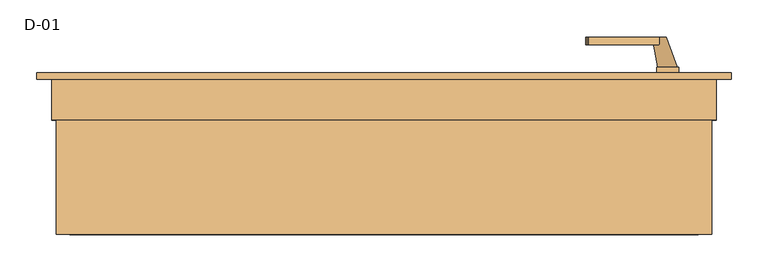
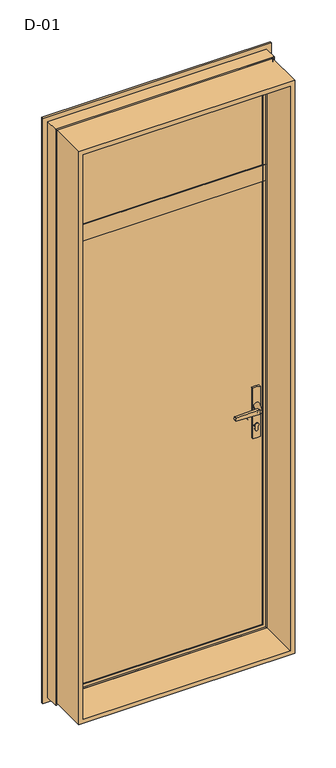
"""IFC4 building model written with IfcOpenShell, lengths in millimetres: door geometry, D-01."""

from ifc_helpers import new_model, si_unit, point, frame, frame_2d, origin, place, context, project, spatial, polyline, circle_curve, ellipse_curve, trimmed, segment, composite_curve, outline, extrude, source, transform, mapped, element, save
from ifc_brep_helpers import plane_surface, cylinder_surface, revolved_surface, spline_surface, advanced_brep


def d_01_5dea140a(model_context):
    return source(origin(), model_context, "Body", "SolidModel", [
        extrude(outline(polyline([(423.0, 74.3927452), (-423.0, 74.3927452), (-423.0, 100.3927452), (423.0, 100.3927452), (423.0, 74.3927452)])), frame((0.0, 0.0, 2022.0), z_axis=(0.0, 0.0, 1.0), x_axis=(1.0, 0.0, 0.0)), (0.0, 0.0, 1.0), 451.0),
        extrude(outline(polyline([(2493.8, 443.8), (2493.8, -443.8), (6.2, -443.8), (6.2, 443.8), (2493.8, 443.8)]), holes=[polyline([(24.7, 425.3), (24.7, -425.3), (2475.3, -425.3), (2475.3, 425.3), (24.7, 425.3)])]), frame((0.0, -100.0, 0.0), z_axis=(0.0, 1.0, 0.0), x_axis=(0.0, 0.0, 1.0)), (0.0, 0.0, 1.0), 165.9999813),
        advanced_brep(
        [(410.0, 107.7228474, 2460.0), (410.0, 107.7228474, 2035.0), (407.8575034, 100.3927452, 2037.1424966), (407.8575034, 100.3927452, 2457.8575034), (430.0, 100.3927452, 2015.0), (430.0, 100.3927452, 2480.0), (-430.0, 100.3927452, 2480.0), (-430.0, 100.3927452, 2015.0), (-407.8575034, 100.3927452, 2037.1424966), (-407.8575034, 100.3927452, 2457.8575034), (-410.0, 107.7228474, 2035.0), (410.0, 118.9999377, 2460.0), (410.0, 118.9999377, 2035.0), (-410.0, 118.9999377, 2035.0), (430.0, 118.9999377, 2480.0), (430.0, 118.9999377, 2015.0), (-430.0, 118.9999377, 2015.0), (-430.0, 118.9999377, 2480.0), (-410.0, 118.9999377, 2460.0), (-410.0, 107.7228474, 2460.0)],
        [
            (0, 1),
            (1, 2, ellipse_curve(frame((390.3925883, 109.4756835, 2054.6074117), z_axis=(-0.7071067811865475, 0.0, -0.7071067811865475), x_axis=(0.7071067811865474, 0.0, -0.7071067811865476)), 27.839649, 19.6856046)),
            (2, 3),
            (3, 0, ellipse_curve(frame((390.3925883, 109.4756835, 2440.3925883), z_axis=(-0.7071067811865475, 0.0, 0.7071067811865475), x_axis=(-0.7071067811865474, 0.0, -0.7071067811865476)), 27.839649, 19.6856046)),
            (4, 5),
            (5, 6),
            (6, 7),
            (7, 4),
            (2, 8),
            (8, 9),
            (9, 3),
            (1, 10),
            (10, 8, ellipse_curve(frame((-390.3925883, 109.4756835, 2054.6074117), z_axis=(-0.7071067811865475, 0.0, 0.7071067811865475), x_axis=(-0.7071067811865476, 0.0, -0.7071067811865474)), 27.839649, 19.6856046)),
            (11, 12),
            (12, 1),
            (0, 11),
            (12, 13),
            (13, 10),
            (14, 15),
            (15, 16),
            (16, 17),
            (17, 14),
            (11, 18),
            (18, 13),
            (4, 15),
            (14, 5),
            (7, 16),
            (10, 19),
            (19, 9, ellipse_curve(frame((-390.3925883, 109.4756835, 2440.3925883), z_axis=(0.7071067811865475, 0.0, 0.7071067811865475), x_axis=(-0.7071067811865474, 0.0, 0.7071067811865476)), 27.839649, 19.6856046)),
            (18, 19),
            (6, 17),
            (19, 0),
        ],
        [
            revolved_surface(polyline([(410.0781929, 109.4756835, 2034.9218071062464), (410.0781929, 109.4756835, 2460.0781928937536)]), (390.3925883, 109.4756835, 2480.0), (0.0, 0.0, -1.0)),
            plane_surface(frame((-430.0, 100.3927452, 2480.0), z_axis=(0.0, -1.0, 0.0), x_axis=(1.0, 0.0, 0.0))),
            revolved_surface(polyline([(-410.0781928937532, 109.4756835, 2034.9218070999998), (410.0781928937533, 109.4756835, 2034.9218070999998)]), (430.0, 109.4756835, 2054.6074117), (-1.0, 0.0, 0.0)),
            plane_surface(frame((410.0, 107.7228474, 2460.0), z_axis=(-1.0, 0.0, 0.0), x_axis=(0.0, 0.0, -1.0))),
            plane_surface(frame((410.0, 107.7228474, 2035.0), z_axis=(0.0, 0.0, 1.0), x_axis=(-1.0, 0.0, 0.0))),
            plane_surface(frame((-410.0, 118.9999377, 2460.0), z_axis=(0.0, 1.0, 0.0), x_axis=(1.0, 0.0, 0.0))),
            plane_surface(frame((430.0, 118.9999377, 2480.0), z_axis=(1.0, 0.0, 0.0), x_axis=(0.0, 0.0, -1.0))),
            plane_surface(frame((430.0, 118.9999377, 2015.0), z_axis=(0.0, 0.0, -1.0), x_axis=(-1.0, 0.0, 0.0))),
            revolved_surface(polyline([(-410.0781929, 109.4756835, 2460.0781928937536), (-410.0781929, 109.4756835, 2034.9218071062464)]), (-390.3925883, 109.4756835, 2015.0), (0.0, 0.0, 1.0)),
            plane_surface(frame((-410.0, 107.7228474, 2035.0), z_axis=(1.0, 0.0, 0.0), x_axis=(0.0, 0.0, 1.0))),
            plane_surface(frame((-430.0, 118.9999377, 2015.0), z_axis=(-1.0, 0.0, 0.0), x_axis=(0.0, 0.0, 1.0))),
            revolved_surface(polyline([(410.0781928937532, 109.4756835, 2460.0781929), (-410.0781928937533, 109.4756835, 2460.0781929)]), (-430.0, 109.4756835, 2440.3925883), (1.0, 0.0, 0.0)),
            plane_surface(frame((-410.0, 107.7228474, 2460.0), z_axis=(0.0, 0.0, -1.0), x_axis=(1.0, 0.0, 0.0))),
            plane_surface(frame((-430.0, 118.9999377, 2480.0), z_axis=(0.0, 0.0, 1.0), x_axis=(1.0, 0.0, 0.0))),
        ],
        [
            (0, [[1, 2, 3, 4]]),
            (1, [[5, 6, 7, 8], [-3, 9, 10, 11]]),
            (2, [[12, 13, -9, -2]]),
            (3, [[14, 15, -1, 16]]),
            (4, [[17, 18, -12, -15]]),
            (5, [[19, 20, 21, 22], [-14, 23, 24, -17]]),
            (6, [[-5, 25, -19, 26]]),
            (7, [[-8, 27, -20, -25]]),
            (8, [[28, 29, -10, -13]]),
            (9, [[-24, 30, -28, -18]]),
            (10, [[-7, 31, -21, -27]]),
            (11, [[32, -4, -11, -29]]),
            (12, [[-23, -16, -32, -30]]),
            (13, [[-6, -26, -22, -31]]),
        ],
    ),
        extrude(outline(polyline([(68.9990172, 2035.0000348), (72.5990172, 2035.0000348), (72.5990172, 2015.0000187), (118.9999375, 2015.0000187), (118.9999375, 1984.9999813), (72.5990172, 1984.9999813), (72.5990172, 1964.9999974), (68.9990172, 1964.9999974), (68.9990172, 2035.0000348)])), frame((-430.0, 0.0, 0.0), z_axis=(1.0, 0.0, 0.0), x_axis=(0.0, 1.0, 0.0)), (0.0, 0.0, 1.0), 860.0),
        extrude(outline(composite_curve([segment(trimmed(circle_curve(frame_2d((898.2, 384.0)), 5.0), [point((898.2, 379.0))], [point((898.2, 389.0))], False, "CARTESIAN"), True, "CONTINUOUS"), segment(polyline([(898.2, 389.0), (910.8261365, 389.0)]), True, "CONTINUOUS"), segment(trimmed(circle_curve(frame_2d((917.7, 384.0)), 8.5), [point((910.8261365, 389.0))], [point((910.8261365, 379.0))], False, "CARTESIAN"), True, "CONTINUOUS"), segment(polyline([(910.8261365, 379.0), (898.2, 379.0)]), True, "CONTINUOUS")], self_intersect=False)), frame((0.0, 66.3, 0.0), z_axis=(0.0, 1.0, 0.0), x_axis=(0.0, 0.0, 1.0)), (0.0, 0.0, 1.0), 11.0),
        extrude(outline(composite_curve([segment(polyline([(862.5, 398.9), (1081.0, 398.9)]), True, "CONTINUOUS"), segment(trimmed(circle_curve(frame_2d((984.8844339, 384.0)), 97.2636214), [point((1081.0, 398.9))], [point((1081.0, 369.1))], False, "CARTESIAN"), True, "CONTINUOUS"), segment(polyline([(1081.0, 369.1), (862.5, 369.1)]), True, "CONTINUOUS"), segment(trimmed(circle_curve(frame_2d((958.6155661, 384.0)), 97.2636214), [point((862.5, 369.1))], [point((862.5, 398.9))], False, "CARTESIAN"), True, "CONTINUOUS")], self_intersect=False), holes=[composite_curve([segment(trimmed(circle_curve(frame_2d((898.2, 384.0)), 5.0), [point((898.2, 389.0))], [point((898.2, 379.0))], True, "CARTESIAN"), True, "CONTINUOUS"), segment(polyline([(898.2, 379.0), (910.8261365, 379.0)]), True, "CONTINUOUS"), segment(trimmed(circle_curve(frame_2d((917.7, 384.0)), 8.5), [point((910.8261365, 379.0))], [point((910.8261365, 389.0))], True, "CARTESIAN"), True, "CONTINUOUS"), segment(polyline([(910.8261365, 389.0), (898.2, 389.0)]), True, "CONTINUOUS")], self_intersect=False)]), frame((0.0, 67.3, 0.0), z_axis=(0.0, 1.0, 0.0), x_axis=(0.0, 0.0, 1.0)), (0.0, 0.0, 1.0), 10.0),
        extrude(outline(composite_curve([segment(polyline([(1012.0, 373.0), (1009.4691269, 276.3498556)]), True, "CONTINUOUS"), segment(trimmed(circle_curve(frame_2d((1007.4698123, 276.4022095)), 2.0), [point((1009.4691269, 276.3498556))], [point((1007.9874503, 274.4703579))], False, "CARTESIAN"), True, "CONTINUOUS"), segment(polyline([(1007.9874503, 274.4703579), (1002.5, 273.0), (997.0125497, 274.4703579)]), True, "CONTINUOUS"), segment(trimmed(circle_curve(frame_2d((997.5301877, 276.4022095)), 2.0), [point((997.0125497, 274.4703579))], [point((995.5308731, 276.3498556))], False, "CARTESIAN"), True, "CONTINUOUS"), segment(polyline([(995.5308731, 276.3498556), (993.0, 373.0), (1012.0, 373.0)]), True, "CONTINUOUS")], self_intersect=False)), frame((0.0, 26.3, 0.0), z_axis=(0.0, 1.0, 0.0), x_axis=(0.0, 0.0, 1.0)), (0.0, 0.0, 1.0), 10.0),
        advanced_brep(
        [(382.5, 26.3, 1002.5), (363.5, 26.3, 1002.5), (397.4, 67.3, 1002.5), (370.6, 67.3, 1002.5)],
        [
            (0, 1, circle_curve(frame((373.0, 26.3, 1002.5), z_axis=(0.0, -1.0, 0.0), x_axis=(-1.0, 0.0, 0.0)), 9.5)),
            (1, 0, circle_curve(frame((373.0, 26.3, 1002.5), z_axis=(0.0, -1.0, 0.0), x_axis=(-1.0, 0.0, 0.0)), 9.5)),
            (2, 3, circle_curve(frame((384.0, 67.3, 1002.5), z_axis=(0.0, 1.0, 0.0), x_axis=(-1.0, 0.0, 0.0)), 13.4)),
            (3, 2, circle_curve(frame((384.0, 67.3, 1002.5), z_axis=(0.0, 1.0, 0.0), x_axis=(-1.0, 0.0, 0.0)), 13.4)),
            (2, 0),
            (1, 3),
        ],
        [
            plane_surface(frame((373.0, 26.3, 1002.5), z_axis=(0.0, -1.0, 0.0), x_axis=(0.0, 0.0, -1.0))),
            plane_surface(frame((384.0, 67.3, 1002.5), z_axis=(0.0, 1.0, 0.0), x_axis=(0.0, 0.0, -1.0))),
            spline_surface(1, 2, [[(397.4, 67.3, 1002.5), (397.4, 67.3, 989.1), (384.0, 67.3, 989.1), (370.6, 67.3, 989.1), (370.6, 67.3, 1002.5)], [(382.5, 26.3, 1002.5), (382.5, 26.3, 993.0), (373.0, 26.3, 993.0), (363.5, 26.3, 993.0), (363.5, 26.3, 1002.5)]], [2, 2], [3, 2, 3], [0.0, 1.0], [0.0, 1.0, 2.0], weights=[[1.0, 0.7071067811865476, 1.0, 0.7071067811865476, 1.0], [1.0, 0.7071067811865476, 1.0, 0.7071067811865476, 1.0]]),
            spline_surface(1, 2, [[(370.6, 67.3, 1002.5), (370.6, 67.3, 1015.9), (384.0, 67.3, 1015.9), (397.4, 67.3, 1015.9), (397.4, 67.3, 1002.5)], [(363.5, 26.3, 1002.5), (363.5, 26.3, 1012.0), (373.0, 26.3, 1012.0), (382.5, 26.3, 1012.0), (382.5, 26.3, 1002.5)]], [2, 2], [3, 2, 3], [0.0, 1.0], [0.0, 1.0, 2.0], weights=[[1.0, 0.7071067811865476, 1.0, 0.7071067811865476, 1.0], [1.0, 0.7071067811865476, 1.0, 0.7071067811865476, 1.0]]),
        ],
        [
            (0, [[1, 2]]),
            (1, [[3, 4]]),
            (2, [[5, -2, 6, -3]]),
            (3, [[-6, -1, -5, -4]]),
        ],
    ),
        extrude(outline(composite_curve([segment(trimmed(circle_curve(frame_2d((898.2, 384.0)), 5.0), [point((898.2, 379.0))], [point((898.2, 389.0))], False, "CARTESIAN"), True, "CONTINUOUS"), segment(polyline([(898.2, 389.0), (910.8261365, 389.0)]), True, "CONTINUOUS"), segment(trimmed(circle_curve(frame_2d((917.7, 384.0)), 8.5), [point((910.8261365, 389.0))], [point((910.8261365, 379.0))], False, "CARTESIAN"), True, "CONTINUOUS"), segment(polyline([(910.8261365, 379.0), (898.2, 379.0)]), True, "CONTINUOUS")], self_intersect=False)), frame((0.0, 116.3, 0.0), z_axis=(0.0, 1.0, 0.0), x_axis=(0.0, 0.0, 1.0)), (0.0, 0.0, 1.0), 11.0),
        extrude(outline(composite_curve([segment(polyline([(862.5, 398.9), (1081.0, 398.9)]), True, "CONTINUOUS"), segment(trimmed(circle_curve(frame_2d((984.8844339, 384.0)), 97.2636214), [point((1081.0, 398.9))], [point((1081.0, 369.1))], False, "CARTESIAN"), True, "CONTINUOUS"), segment(polyline([(1081.0, 369.1), (862.5, 369.1)]), True, "CONTINUOUS"), segment(trimmed(circle_curve(frame_2d((958.6155661, 384.0)), 97.2636214), [point((862.5, 369.1))], [point((862.5, 398.9))], False, "CARTESIAN"), True, "CONTINUOUS")], self_intersect=False), holes=[composite_curve([segment(trimmed(circle_curve(frame_2d((898.2, 384.0)), 5.0), [point((898.2, 389.0))], [point((898.2, 379.0))], True, "CARTESIAN"), True, "CONTINUOUS"), segment(polyline([(898.2, 379.0), (910.8261365, 379.0)]), True, "CONTINUOUS"), segment(trimmed(circle_curve(frame_2d((917.7, 384.0)), 8.5), [point((910.8261365, 379.0))], [point((910.8261365, 389.0))], True, "CARTESIAN"), True, "CONTINUOUS"), segment(polyline([(910.8261365, 389.0), (898.2, 389.0)]), True, "CONTINUOUS")], self_intersect=False)]), frame((0.0, 116.3, 0.0), z_axis=(0.0, 1.0, 0.0), x_axis=(0.0, 0.0, 1.0)), (0.0, 0.0, 1.0), 10.0),
        extrude(outline(composite_curve([segment(polyline([(1012.0, 373.0), (1009.4691269, 276.3498556)]), True, "CONTINUOUS"), segment(trimmed(circle_curve(frame_2d((1007.4698123, 276.4022095)), 2.0), [point((1009.4691269, 276.3498556))], [point((1007.9874503, 274.4703579))], False, "CARTESIAN"), True, "CONTINUOUS"), segment(polyline([(1007.9874503, 274.4703579), (1002.5, 273.0), (997.0125497, 274.4703579)]), True, "CONTINUOUS"), segment(trimmed(circle_curve(frame_2d((997.5301877, 276.4022095)), 2.0), [point((997.0125497, 274.4703579))], [point((995.5308731, 276.3498556))], False, "CARTESIAN"), True, "CONTINUOUS"), segment(polyline([(995.5308731, 276.3498556), (993.0, 373.0), (1012.0, 373.0)]), True, "CONTINUOUS")], self_intersect=False)), frame((0.0, 157.3, 0.0), z_axis=(0.0, 1.0, 0.0), x_axis=(0.0, 0.0, 1.0)), (0.0, 0.0, 1.0), 10.0),
        advanced_brep(
        [(382.5, 167.3, 1002.5), (363.5, 167.3, 1002.5), (397.4, 126.3, 1002.5), (370.6, 126.3, 1002.5)],
        [
            (0, 1, circle_curve(frame((373.0, 167.3, 1002.5), z_axis=(0.0, 1.0, 0.0), x_axis=(-1.0, 0.0, 0.0)), 9.5)),
            (1, 0, circle_curve(frame((373.0, 167.3, 1002.5), z_axis=(0.0, 1.0, 0.0), x_axis=(-1.0, 0.0, 0.0)), 9.5)),
            (2, 3, circle_curve(frame((384.0, 126.3, 1002.5), z_axis=(0.0, -1.0, 0.0), x_axis=(-1.0, 0.0, 0.0)), 13.4)),
            (3, 2, circle_curve(frame((384.0, 126.3, 1002.5), z_axis=(0.0, -1.0, 0.0), x_axis=(-1.0, 0.0, 0.0)), 13.4)),
            (3, 1),
            (0, 2),
        ],
        [
            plane_surface(frame((373.0, 167.3, 1002.5), z_axis=(0.0, 1.0, 0.0), x_axis=(0.0, 0.0, -1.0))),
            plane_surface(frame((384.0, 126.3, 1002.5), z_axis=(0.0, -1.0, 0.0), x_axis=(0.0, 0.0, -1.0))),
            spline_surface(2, 1, [[(397.4, 126.3, 1002.5), (382.5, 167.3, 1002.5)], [(397.4, 126.3, 989.1), (382.5, 167.3, 993.0)], [(384.0, 126.3, 989.1), (373.0, 167.3, 993.0)], [(370.6, 126.3, 989.1), (363.5, 167.3, 993.0)], [(370.6, 126.3, 1002.5), (363.5, 167.3, 1002.5)]], [3, 2, 3], [2, 2], [0.0, 1.0, 2.0], [0.0, 1.0], weights=[[1.0, 1.0], [0.7071067811865476, 0.7071067811865476], [1.0, 1.0], [0.7071067811865476, 0.7071067811865476], [1.0, 1.0]]),
            spline_surface(2, 1, [[(370.6, 126.3, 1002.5), (363.5, 167.3, 1002.5)], [(370.6, 126.3, 1015.9), (363.5, 167.3, 1012.0)], [(384.0, 126.3, 1015.9), (373.0, 167.3, 1012.0)], [(397.4, 126.3, 1015.9), (382.5, 167.3, 1012.0)], [(397.4, 126.3, 1002.5), (382.5, 167.3, 1002.5)]], [3, 2, 3], [2, 2], [0.0, 1.0, 2.0], [0.0, 1.0], weights=[[1.0, 1.0], [0.7071067811865476, 0.7071067811865476], [1.0, 1.0], [0.7071067811865476, 0.7071067811865476], [1.0, 1.0]]),
        ],
        [
            (0, [[1, 2]]),
            (1, [[3, 4]]),
            (2, [[-4, 5, -1, 6]]),
            (3, [[-3, -6, -2, -5]]),
        ],
    ),
        extrude(outline(polyline([(424.0, 116.3), (424.0, 77.3), (-425.0, 77.3), (-425.0, 116.3), (424.0, 116.3)])), frame((0.0, 0.0, 25.0), z_axis=(0.0, 0.0, 1.0), x_axis=(1.0, 0.0, 0.0)), (0.0, 0.0, 1.0), 1955.0),
        advanced_brep(
        [(470.000038, 110.0, 2520.000038), (470.000038, 110.0, -20.000038), (470.000038, 118.9999375, -20.000038), (470.000038, 118.9999375, 2520.000038), (-470.000038, 118.9999375, 2520.000038), (-470.000038, 118.9999375, -20.000038), (430.0000396, 118.9999375, 2480.0000396), (-430.0000396, 118.9999375, 2480.0000396), (-430.0000396, 118.9999375, 19.9999604), (430.0000396, 118.9999375, 19.9999604), (-470.000038, 110.0, -20.000038), (-470.000038, 110.0, 2520.000038), (-450.0, 110.0, 2500.0), (450.0, 110.0, 2500.0), (450.0, 110.0, 0.0), (-450.0, 110.0, 0.0), (450.0, 54.8507969, 2500.0), (450.0, 54.8507969, 0.0), (-450.0, 54.8507969, 0.0), (445.0001465, 54.8506112, 2495.0001465), (445.0001465, 54.8506112, 4.9998535), (-445.0001465, 54.8506112, 4.9998535), (445.0001465, 56.5920405, 2495.0001465), (445.0001465, 56.5920405, 4.9998535), (-445.0001465, 56.5920405, 4.9998535), (443.8001794, 56.5908144, 2493.8001794), (443.8001794, 56.5908144, 6.1998206), (-443.8001794, 56.5908144, 6.1998206), (443.8001794, 65.9999813, 2493.8001794), (443.8001794, 65.9999813, 6.1998206), (-443.8001794, 65.9999813, 6.1998206), (-443.8001794, 65.9999813, 2493.8001794), (-424.2001794, 65.9999813, 2474.2001794), (424.2001794, 65.9999813, 2474.2001794), (424.2001794, 65.9999813, 25.7998206), (-424.2001794, 65.9999813, 25.7998206), (424.2001794, 61.9999728, 2474.2001794), (424.2001794, 61.9999728, 25.7998206), (-424.2001794, 61.9999728, 25.7998206), (-424.2001794, 61.9999728, 2474.2001794), (-422.6156704, 61.9999728, 2472.6156704), (422.6156704, 61.9999728, 2472.6156704), (422.6156704, 61.9999728, 27.3843296), (-422.6156704, 61.9999728, 27.3843296), (422.8755675, 68.9999299, 2472.8755675), (422.8755675, 68.9999299, 27.1244325), (-422.8755675, 68.9999299, 27.1244325), (-422.8755675, 68.9999299, 2472.8755675), (-410.0002274, 68.9999299, 2460.0002274), (410.0002274, 68.9999299, 2460.0002274), (410.0002274, 68.9999299, 39.9997726), (-410.0002274, 68.9999299, 39.9997726), (410.0002274, 72.5999758, 2460.0002274), (410.0002274, 72.5999758, 39.9997726), (-410.0002274, 72.5999758, 39.9997726), (-430.0000396, 72.5999758, 2480.0000396), (430.0000396, 72.5999758, 2480.0000396), (430.0000396, 72.5999758, 19.9999604), (-430.0000396, 72.5999758, 19.9999604), (-410.0002274, 72.5999758, 2460.0002274), (-450.0, 54.8507969, 2500.0), (-445.0001465, 54.8506112, 2495.0001465), (-445.0001465, 56.5920405, 2495.0001465), (-443.8001794, 56.5908144, 2493.8001794)],
        [
            (0, 1),
            (1, 2),
            (2, 3),
            (3, 0),
            (4, 3),
            (2, 5),
            (5, 4),
            (6, 7),
            (7, 8),
            (8, 9),
            (9, 6),
            (1, 10),
            (10, 5),
            (0, 11),
            (11, 10),
            (12, 13),
            (13, 14),
            (14, 15),
            (15, 12),
            (16, 17),
            (17, 14),
            (13, 16),
            (17, 18),
            (18, 15),
            (19, 20),
            (20, 17, ellipse_curve(frame((447.5001465, 52.8785929, 2.4998535), z_axis=(-0.7071067811865475, 0.0, -0.7071067811865475), x_axis=(0.7071067811865474, 0.0, -0.7071067811865476)), 4.5030781, 3.184157)),
            (16, 19, ellipse_curve(frame((447.5001465, 52.8785929, 2497.5001465), z_axis=(-0.7071067811865475, 0.0, 0.7071067811865475), x_axis=(-0.7071067811865474, 0.0, -0.7071067811865476)), 4.5030781, 3.184157)),
            (20, 21),
            (21, 18, ellipse_curve(frame((-447.5001465, 52.8785929, 2.4998535), z_axis=(-0.7071067811865475, 0.0, 0.7071067811865475), x_axis=(-0.7071067811865476, 0.0, -0.7071067811865474)), 4.5030781, 3.184157)),
            (22, 23),
            (23, 20),
            (19, 22),
            (23, 24),
            (24, 21),
            (25, 26),
            (26, 23, ellipse_curve(frame((444.4001534, 56.6007652, 5.5998466), z_axis=(0.7071067811865475, 0.0, 0.7071067811865475), x_axis=(-0.7071067811865474, 0.0, 0.7071067811865476)), 0.8486081, 0.6000566)),
            (22, 25, ellipse_curve(frame((444.4001534, 56.6007652, 2494.4001534), z_axis=(0.7071067811865475, 0.0, -0.7071067811865475), x_axis=(0.7071067811865474, 0.0, 0.7071067811865476)), 0.8486081, 0.6000566)),
            (26, 27),
            (27, 24, ellipse_curve(frame((-444.4001534, 56.6007652, 5.5998466), z_axis=(0.7071067811865475, 0.0, -0.7071067811865475), x_axis=(0.7071067811865476, 0.0, 0.7071067811865474)), 0.8486081, 0.6000566)),
            (28, 29),
            (29, 26),
            (25, 28),
            (29, 30),
            (30, 27),
            (28, 31),
            (31, 30),
            (32, 33),
            (33, 34),
            (34, 35),
            (35, 32),
            (36, 37),
            (37, 34),
            (33, 36),
            (37, 38),
            (38, 35),
            (36, 39),
            (39, 38),
            (40, 41),
            (41, 42),
            (42, 43),
            (43, 40),
            (44, 45),
            (45, 42),
            (41, 44),
            (45, 46),
            (46, 43),
            (44, 47),
            (47, 46),
            (48, 49),
            (49, 50),
            (50, 51),
            (51, 48),
            (52, 53),
            (53, 50),
            (49, 52),
            (53, 54),
            (54, 51),
            (55, 56),
            (56, 57),
            (57, 58),
            (58, 55),
            (52, 59),
            (59, 54),
            (9, 57),
            (56, 6),
            (8, 58),
            (11, 4),
            (18, 60),
            (60, 12),
            (21, 61),
            (61, 60, ellipse_curve(frame((-447.5001465, 52.8785929, 2497.5001465), z_axis=(0.7071067811865475, 0.0, 0.7071067811865475), x_axis=(-0.7071067811865474, 0.0, 0.7071067811865476)), 4.5030781, 3.184157)),
            (24, 62),
            (62, 61),
            (27, 63),
            (63, 62, ellipse_curve(frame((-444.4001534, 56.6007652, 2494.4001534), z_axis=(-0.7071067811865475, 0.0, -0.7071067811865475), x_axis=(0.7071067811865474, 0.0, -0.7071067811865476)), 0.8486081, 0.6000566)),
            (31, 63),
            (39, 32),
            (47, 40),
            (59, 48),
            (7, 55),
            (60, 16),
            (61, 19),
            (62, 22),
            (63, 25),
        ],
        [
            plane_surface(frame((470.000038, 118.9999375, 2520.000038), z_axis=(1.0, 0.0, 0.0), x_axis=(0.0, 0.0, -1.0))),
            plane_surface(frame((-430.0000396, 118.9999375, 19.9999604), z_axis=(0.0, 1.0, 0.0), x_axis=(0.0, 0.0, 1.0))),
            plane_surface(frame((470.000038, 118.9999375, -20.000038), z_axis=(0.0, 0.0, -1.0), x_axis=(-1.0, 0.0, 0.0))),
            plane_surface(frame((-470.000038, 110.0, -20.000038), z_axis=(0.0, -1.0, 0.0), x_axis=(0.0, 0.0, 1.0))),
            plane_surface(frame((450.0, 110.0, 2500.0), z_axis=(1.0, 0.0, 0.0), x_axis=(0.0, 0.0, -1.0))),
            plane_surface(frame((450.0, 110.0, 0.0), z_axis=(0.0, 0.0, -1.0), x_axis=(-1.0, 0.0, 0.0))),
            revolved_surface(polyline([(450.68430350000006, 52.8785929, -0.6843035607225829), (450.68430350000006, 52.8785929, 2500.6843035607226)]), (447.5001465, 52.8785929, 2500.0), (0.0, 0.0, -1.0)),
            revolved_surface(polyline([(-450.6843035607227, 52.8785929, -0.6843035), (450.68430356072264, 52.8785929, -0.6843035)]), (450.0, 52.8785929, 2.4998535), (-1.0, 0.0, 0.0)),
            plane_surface(frame((445.0001465, 54.8506112, 2495.0001465), z_axis=(-1.0, 0.0, 0.0), x_axis=(0.0, 0.0, -1.0))),
            plane_surface(frame((445.0001465, 54.8506112, 4.9998535), z_axis=(0.0, 0.0, 1.0), x_axis=(-1.0, 0.0, 0.0))),
            cylinder_surface(frame((444.4001534, 56.6007652, 2500.0), z_axis=(0.0, 0.0, 1.0), x_axis=(1.0, 0.0, 0.0)), 0.6000566),
            cylinder_surface(frame((450.0, 56.6007652, 5.5998466), z_axis=(1.0, 0.0, 0.0), x_axis=(0.0, 0.0, -1.0)), 0.6000566),
            plane_surface(frame((443.8001794, 56.5908144, 2493.8001794), z_axis=(-1.0, 0.0, 0.0), x_axis=(0.0, 0.0, -1.0))),
            plane_surface(frame((443.8001794, 56.5908144, 6.1998206), z_axis=(0.0, 0.0, 1.0), x_axis=(-1.0, 0.0, 0.0))),
            plane_surface(frame((-443.8001794, 65.9999813, 6.1998206), z_axis=(0.0, -1.0, 0.0), x_axis=(0.0, 0.0, 1.0))),
            plane_surface(frame((424.2001794, 65.9999813, 2474.2001794), z_axis=(1.0, 0.0, 0.0), x_axis=(0.0, 0.0, -1.0))),
            plane_surface(frame((424.2001794, 65.9999813, 25.7998206), z_axis=(0.0, 0.0, -1.0), x_axis=(-1.0, 0.0, 0.0))),
            plane_surface(frame((-424.2001794, 61.9999728, 25.7998206), z_axis=(0.0, -1.0, 0.0), x_axis=(0.0, 0.0, 1.0))),
            plane_surface(frame((422.6156704, 61.9999728, 2472.6156704), z_axis=(-0.9993114533203381, 0.0371028201460986, 0.0), x_axis=(0.0, 0.0, -1.0))),
            plane_surface(frame((422.6156704, 61.9999728, 27.3843296), z_axis=(0.0, 0.03710282014609248, 0.9993114533203383), x_axis=(-1.0, 0.0, 0.0))),
            plane_surface(frame((-422.8755675, 68.9999299, 27.1244325), z_axis=(0.0, -1.0, 0.0), x_axis=(0.0, 0.0, 1.0))),
            plane_surface(frame((410.0002274, 68.9999299, 2460.0002274), z_axis=(-1.0, 0.0, 0.0), x_axis=(0.0, 0.0, -1.0))),
            plane_surface(frame((410.0002274, 68.9999299, 39.9997726), z_axis=(0.0, 0.0, 1.0), x_axis=(-1.0, 0.0, 0.0))),
            plane_surface(frame((-410.0002274, 72.5999758, 39.9997726), z_axis=(0.0, 1.0, 0.0), x_axis=(0.0, 0.0, 1.0))),
            plane_surface(frame((430.0000396, 72.5999758, 2480.0000396), z_axis=(-1.0, 0.0, 0.0), x_axis=(0.0, 0.0, -1.0))),
            plane_surface(frame((430.0000396, 72.5999758, 19.9999604), z_axis=(0.0, 0.0, 1.0), x_axis=(-1.0, 0.0, 0.0))),
            plane_surface(frame((-470.000038, 118.9999375, -20.000038), z_axis=(-1.0, 0.0, 0.0), x_axis=(0.0, 0.0, 1.0))),
            plane_surface(frame((-450.0, 110.0, 0.0), z_axis=(-1.0, 0.0, 0.0), x_axis=(0.0, 0.0, 1.0))),
            revolved_surface(polyline([(-450.68430350000006, 52.8785929, 2500.6843035607226), (-450.68430350000006, 52.8785929, -0.6843035607226331)]), (-447.5001465, 52.8785929, 0.0), (0.0, 0.0, 1.0)),
            plane_surface(frame((-445.0001465, 54.8506112, 4.9998535), z_axis=(1.0, 0.0, 0.0), x_axis=(0.0, 0.0, 1.0))),
            cylinder_surface(frame((-444.4001534, 56.6007652, 0.0), z_axis=(0.0, 0.0, -1.0), x_axis=(-1.0, 0.0, 0.0)), 0.6000566),
            plane_surface(frame((-443.8001794, 56.5908144, 6.1998206), z_axis=(1.0, 0.0, 0.0), x_axis=(0.0, 0.0, 1.0))),
            plane_surface(frame((-424.2001794, 65.9999813, 25.7998206), z_axis=(-1.0, 0.0, 0.0), x_axis=(0.0, 0.0, 1.0))),
            plane_surface(frame((-422.6156704, 61.9999728, 27.3843296), z_axis=(0.9993114533203385, 0.03710282014608636, 0.0), x_axis=(0.0, 0.0, 1.0))),
            plane_surface(frame((-410.0002274, 68.9999299, 39.9997726), z_axis=(1.0, 0.0, 0.0), x_axis=(0.0, 0.0, 1.0))),
            plane_surface(frame((-430.0000396, 72.5999758, 19.9999604), z_axis=(1.0, 0.0, 0.0), x_axis=(0.0, 0.0, 1.0))),
            plane_surface(frame((-470.000038, 118.9999375, 2520.000038), z_axis=(0.0, 0.0, 1.0), x_axis=(1.0, 0.0, 0.0))),
            plane_surface(frame((-450.0, 110.0, 2500.0), z_axis=(0.0, 0.0, 1.0), x_axis=(1.0, 0.0, 0.0))),
            revolved_surface(polyline([(450.6843035607227, 52.8785929, 2500.6843035), (-450.68430356072264, 52.8785929, 2500.6843035)]), (-450.0, 52.8785929, 2497.5001465), (1.0, 0.0, 0.0)),
            plane_surface(frame((-445.0001465, 54.8506112, 2495.0001465), z_axis=(0.0, 0.0, -1.0), x_axis=(1.0, 0.0, 0.0))),
            cylinder_surface(frame((-450.0, 56.6007652, 2494.4001534), z_axis=(-1.0, 0.0, 0.0), x_axis=(0.0, 0.0, 1.0)), 0.6000566),
            plane_surface(frame((-443.8001794, 56.5908144, 2493.8001794), z_axis=(0.0, 0.0, -1.0), x_axis=(1.0, 0.0, 0.0))),
            plane_surface(frame((-424.2001794, 65.9999813, 2474.2001794), z_axis=(0.0, 0.0, 1.0), x_axis=(1.0, 0.0, 0.0))),
            plane_surface(frame((-422.6156704, 61.9999728, 2472.6156704), z_axis=(0.0, 0.03710282014609248, -0.9993114533203383), x_axis=(1.0, 0.0, 0.0))),
            plane_surface(frame((-410.0002274, 68.9999299, 2460.0002274), z_axis=(0.0, 0.0, -1.0), x_axis=(1.0, 0.0, 0.0))),
            plane_surface(frame((-430.0000396, 72.5999758, 2480.0000396), z_axis=(0.0, 0.0, -1.0), x_axis=(1.0, 0.0, 0.0))),
        ],
        [
            (0, [[1, 2, 3, 4]]),
            (1, [[5, -3, 6, 7], [8, 9, 10, 11]]),
            (2, [[12, 13, -6, -2]]),
            (3, [[14, 15, -12, -1], [16, 17, 18, 19]]),
            (4, [[20, 21, -17, 22]]),
            (5, [[23, 24, -18, -21]]),
            (6, [[25, 26, -20, 27]]),
            (7, [[28, 29, -23, -26]]),
            (8, [[30, 31, -25, 32]]),
            (9, [[33, 34, -28, -31]]),
            (10, [[35, 36, -30, 37]]),
            (11, [[38, 39, -33, -36]]),
            (12, [[40, 41, -35, 42]]),
            (13, [[43, 44, -38, -41]]),
            (14, [[45, 46, -43, -40], [47, 48, 49, 50]]),
            (15, [[51, 52, -48, 53]]),
            (16, [[54, 55, -49, -52]]),
            (17, [[56, 57, -54, -51], [58, 59, 60, 61]]),
            (18, [[62, 63, -59, 64]]),
            (19, [[65, 66, -60, -63]]),
            (20, [[67, 68, -65, -62], [69, 70, 71, 72]]),
            (21, [[73, 74, -70, 75]]),
            (22, [[76, 77, -71, -74]]),
            (23, [[78, 79, 80, 81], [82, 83, -76, -73]]),
            (24, [[-11, 84, -79, 85]]),
            (25, [[-10, 86, -80, -84]]),
            (26, [[-15, 87, -7, -13]]),
            (27, [[88, 89, -19, -24]]),
            (28, [[90, 91, -88, -29]]),
            (29, [[92, 93, -90, -34]]),
            (30, [[94, 95, -92, -39]]),
            (31, [[-46, 96, -94, -44]]),
            (32, [[-57, 97, -50, -55]]),
            (33, [[-68, 98, -61, -66]]),
            (34, [[-83, 99, -72, -77]]),
            (35, [[-9, 100, -81, -86]]),
            (36, [[-14, -4, -5, -87]]),
            (37, [[101, -22, -16, -89]]),
            (38, [[102, -27, -101, -91]]),
            (39, [[103, -32, -102, -93]]),
            (40, [[104, -37, -103, -95]]),
            (41, [[-45, -42, -104, -96]]),
            (42, [[-56, -53, -47, -97]]),
            (43, [[-67, -64, -58, -98]]),
            (44, [[-82, -75, -69, -99]]),
            (45, [[-8, -85, -78, -100]]),
        ],
    ),
    ])


if __name__ == "__main__":
    model = new_model("IFC4")
    model_context = context("Model", 3, world=origin())
    ifc_project = project(units=[si_unit("LENGTHUNIT", "METRE", prefix="MILLI")], contexts=[model_context])
    site = spatial("IfcSite", under=ifc_project)
    building = spatial("IfcBuilding", under=site)
    placement = place(None, origin())
    d_01_shape = d_01_5dea140a(model_context)
    element("IfcDoor", 1, ObjectType="D-01", at=placement, inside=building, context=model_context, shape_type="MappedRepresentation", body=[
        mapped(d_01_shape, transform((0.0, 0.0, 0.0), x_axis=(1.0, 0.0, 0.0), y_axis=(0.0, 1.0, 0.0), z_axis=(0.0, 0.0, 1.0))),
    ])
    save(model, "model.ifc")
